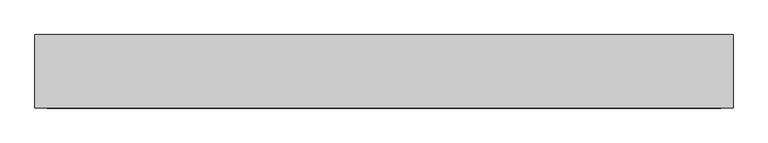
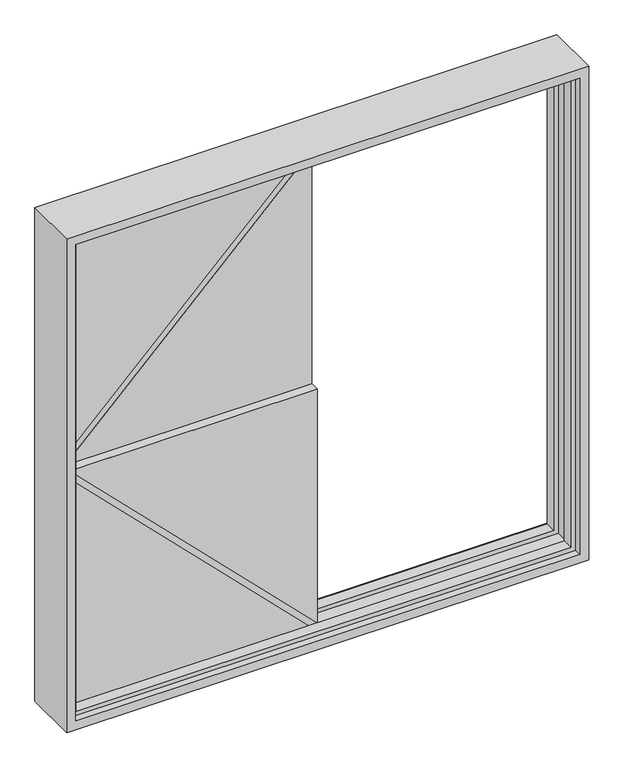
"""IFC4 building model written with IfcOpenShell, lengths in millimetres: proxy geometry."""

import ifcopenshell
import ifcopenshell.guid

model = None  # the IFC model being written
_history = None  # IfcOwnerHistory: only IFC2X3 demands one
_inside = {}  # id of a spatial element -> (the spatial element, [elements in it])
_under = {}  # id of a project, library or spatial element -> (it, [spatial elements below it])
_declared = {}  # id of a project -> (the project, [libraries it declares])
_typed = {}  # id of a type object -> (the type object, [elements of that type])
_made_of = {}  # id of a material, layer set ... -> (it, [elements and type objects made of it])


def new_model(schema):
    """Start an empty IFC model of exactly this schema.

    Asked for "IFC4X3", IfcOpenShell would pick the latest addendum, in which some entities
    have other attributes; the version numbers below select the first issue.
    IFC2X3 requires an IfcOwnerHistory on every rooted entity: one is made here for all.
    """
    global model, _history
    if schema == "IFC4X3":
        model = ifcopenshell.file(schema_version=(4, 3, 0, 0))
    else:
        model = ifcopenshell.file(schema=schema)
    _inside.clear()
    _under.clear()
    _declared.clear()
    _typed.clear()
    _made_of.clear()
    _history = None
    if model.schema == "IFC2X3":
        org = make("IfcOrganization", Name="unknown")
        user = make(
            "IfcPersonAndOrganization",
            ThePerson=make("IfcPerson", FamilyName="unknown"),
            TheOrganization=org,
        )
        app = make(
            "IfcApplication",
            ApplicationDeveloper=org,
            Version="unknown",
            ApplicationFullName="unknown",
            ApplicationIdentifier="unknown",
        )
        _history = make(
            "IfcOwnerHistory",
            OwningUser=user,
            OwningApplication=app,
            ChangeAction="ADDED",
            CreationDate=0,
        )
    return model


def make(cls, **values):
    """One entity of the class cls with the attributes given. An attribute that is None is left unset."""
    return model.create_entity(
        cls, **{name: value for name, value in values.items() if value is not None}
    )


def rooted(cls, **values):
    """An entity with a GlobalId (a new one), such as an element, a storey or a relation."""
    return make(cls, GlobalId=ifcopenshell.guid.new(), OwnerHistory=_history, **values)


def si_unit(unit_type, name, prefix=None):
    """IfcSIUnit, for example si_unit("LENGTHUNIT", "METRE", prefix="MILLI")."""
    return make("IfcSIUnit", UnitType=unit_type, Prefix=prefix, Name=name)


def assignment(units):
    """IfcUnitAssignment: the units of a project."""
    return None if units is None else make("IfcUnitAssignment", Units=units)


def point(xyz):
    """IfcCartesianPoint."""
    return None if xyz is None else make("IfcCartesianPoint", Coordinates=xyz)


def direction(xyz):
    """IfcDirection."""
    return None if xyz is None else make("IfcDirection", DirectionRatios=xyz)


def frame(location, z_axis=None, x_axis=None):
    """IfcAxis2Placement3D, a coordinate frame: its origin and axes. An axis left out is left unset."""
    return make(
        "IfcAxis2Placement3D",
        Location=point(location),
        Axis=direction(z_axis),
        RefDirection=direction(x_axis),
    )


def origin():
    """The frame at (0, 0, 0) with its axes left unset."""
    return frame((0.0, 0.0, 0.0))


def origin_with_axes():
    """The frame at (0, 0, 0) with the z axis (0, 0, 1) and the x axis (1, 0, 0) written out."""
    return frame((0.0, 0.0, 0.0), z_axis=(0.0, 0.0, 1.0), x_axis=(1.0, 0.0, 0.0))


def place(relative_to, where):
    """IfcLocalPlacement: puts the frame where relative to a parent placement (None: the world)."""
    return make(
        "IfcLocalPlacement", PlacementRelTo=relative_to, RelativePlacement=where
    )


def context(
    kind, dimensions, precision=None, world=None, true_north=None, identifier=None
):
    """IfcGeometricRepresentationContext, for example the 3D "Model" context."""
    return make(
        "IfcGeometricRepresentationContext",
        ContextIdentifier=identifier,
        ContextType=kind,
        CoordinateSpaceDimension=dimensions,
        Precision=precision,
        WorldCoordinateSystem=world,
        TrueNorth=true_north,
    )


def project(units=None, contexts=None):
    """IfcProject with its units and contexts."""
    return rooted(
        "IfcProject",
        Name="project",
        RepresentationContexts=contexts,
        UnitsInContext=assignment(units),
    )


def spatial(cls, under=None, at=None, **own):
    """A site, building, storey or space (cls), placed at a placement, below another one or the project."""
    s = rooted(cls, ObjectPlacement=at, **own)
    if under is not None:
        _under.setdefault(under.id(), (under, []))[1].append(s)
    return s


def polyline(points):
    """IfcPolyline through the points."""
    return make("IfcPolyline", Points=[point(p) for p in points])


def outline(outer, holes=None, kind="AREA"):
    """IfcArbitraryClosedProfileDef: a profile drawn as a closed curve; with holes, ...WithVoids."""
    if holes is None:
        return make("IfcArbitraryClosedProfileDef", ProfileType=kind, OuterCurve=outer)
    return make(
        "IfcArbitraryProfileDefWithVoids",
        ProfileType=kind,
        OuterCurve=outer,
        InnerCurves=holes,
    )


def extrude(swept, where, along, depth):
    """IfcExtrudedAreaSolid: the profile swept, set in the frame where, extruded along a direction by depth."""
    return make(
        "IfcExtrudedAreaSolid",
        SweptArea=swept,
        Position=where,
        ExtrudedDirection=direction(along),
        Depth=depth,
    )


def faces_of(points, faces, orient=None, outer=None):
    """IfcFace entities. A face is a list of loops; a loop is a list of indices into points, from 0.

    orient and outer hold one flag for each loop. By default every Orientation is true, the
    first loop of a face is its IfcFaceOuterBound and the others are IfcFaceBound.
    """
    made = []
    for i, loops in enumerate(faces):
        bounds = []
        for j, loop in enumerate(loops):
            is_outer = j == 0 if outer is None else outer[i][j]
            bounds.append(
                make(
                    "IfcFaceOuterBound" if is_outer else "IfcFaceBound",
                    Bound=make("IfcPolyLoop", Polygon=[points[k] for k in loop]),
                    Orientation=True if orient is None else orient[i][j],
                )
            )
        made.append(make("IfcFace", Bounds=bounds))
    return made


def faceted_brep(points, faces, orient=None, outer=None, voids=None):
    """IfcFacetedBrep: a solid bounded by flat faces; with voids (closed shells), ...WithVoids."""
    shared = [point(p) for p in points]
    hull = make("IfcClosedShell", CfsFaces=faces_of(shared, faces, orient, outer))
    if voids is None:
        return make("IfcFacetedBrep", Outer=hull)
    return make(
        "IfcFacetedBrepWithVoids",
        Outer=hull,
        Voids=[
            make(cls, CfsFaces=faces_of(shared, fs, o, b)) for cls, fs, o, b in voids
        ],
    )


def shape(context_of_items, identifier, shape_type, items):
    """IfcShapeRepresentation: the items that make up one representation, for example the "Body"."""
    return make(
        "IfcShapeRepresentation",
        ContextOfItems=context_of_items,
        RepresentationIdentifier=identifier,
        RepresentationType=shape_type,
        Items=items,
    )


def source(mapping_origin, context_of_items, identifier, shape_type, items):
    """IfcRepresentationMap: a shape defined once, which mapped items show again and again."""
    return make(
        "IfcRepresentationMap",
        MappingOrigin=mapping_origin,
        MappedRepresentation=shape(context_of_items, identifier, shape_type, items),
    )


def transform(
    local_origin,
    x_axis=None,
    y_axis=None,
    z_axis=None,
    scale=None,
    scale2=None,
    scale3=None,
    uniform=True,
):
    """IfcCartesianTransformationOperator3D, or its non-uniform kind. x_axis, y_axis, z_axis: its Axis1, 2, 3."""
    if uniform:
        return make(
            "IfcCartesianTransformationOperator3D",
            Axis1=direction(x_axis),
            Axis2=direction(y_axis),
            LocalOrigin=point(local_origin),
            Scale=scale,
            Axis3=direction(z_axis),
        )
    return make(
        "IfcCartesianTransformationOperator3DnonUniform",
        Axis1=direction(x_axis),
        Axis2=direction(y_axis),
        LocalOrigin=point(local_origin),
        Scale=scale,
        Axis3=direction(z_axis),
        Scale2=scale2,
        Scale3=scale3,
    )


def mapped(mapping_source, mapping_target):
    """IfcMappedItem: shows the shape of a source again, moved by a transform."""
    return make(
        "IfcMappedItem", MappingSource=mapping_source, MappingTarget=mapping_target
    )


def made_of(thing, what):
    """Note that an element or type object is made of a material, layer set ...; save() writes the relation."""
    if what is not None:
        _made_of.setdefault(what.id(), (what, []))[1].append(thing)
    return thing


def element(
    cls,
    number,
    at=None,
    inside=None,
    cuts=None,
    type_object=None,
    material=None,
    context=None,
    identifier="Body",
    shape_type=None,
    held_by="IfcProductDefinitionShape",
    body=None,
    shapes=None,
    **own,
):
    """One element of the class cls, such as IfcWall. Its Tag is "e" and its number.

    at: its placement. inside: the storey or other place that contains it. cuts: it is an
    opening in that element (IfcRelVoidsElement). A single representation is given by context,
    identifier, shape_type and body (its items); several are given by shapes. held_by: the class
    of the entity that holds the representations. save() writes the other relations.
    """
    e = rooted(cls, Tag="e%d" % number, ObjectPlacement=at, **own)
    if body is not None:
        shapes = [shape(context, identifier, shape_type, body)]
    if shapes is not None:
        e.Representation = make(held_by, Representations=shapes)
    if inside is not None:
        _inside.setdefault(inside.id(), (inside, []))[1].append(e)
    if cuts is not None:
        rooted(
            "IfcRelVoidsElement", RelatingBuildingElement=cuts, RelatedOpeningElement=e
        )
    if type_object is not None:
        _typed.setdefault(type_object.id(), (type_object, []))[1].append(e)
    return made_of(e, material)


def aggregate(whole, parts):
    """IfcRelAggregates: a whole, such as a stair, and the parts it consists of."""
    return rooted("IfcRelAggregates", RelatingObject=whole, RelatedObjects=parts)


def save(model, path):
    """Write the relations noted so far, then the file.

    IfcRelAggregates (storeys below a building ...), IfcRelContainedInSpatialStructure (elements
    in a storey), IfcRelDefinesByType, IfcRelAssociatesMaterial and IfcRelDeclares: one each for
    every whole, place, type object, material and project.
    """
    for whole, parts in _under.values():
        aggregate(whole, parts)
    for where, things in _inside.values():
        rooted(
            "IfcRelContainedInSpatialStructure",
            RelatedElements=things,
            RelatingStructure=where,
        )
    for kind, things in _typed.values():
        rooted("IfcRelDefinesByType", RelatedObjects=things, RelatingType=kind)
    for what, things in _made_of.values():
        rooted("IfcRelAssociatesMaterial", RelatedObjects=things, RelatingMaterial=what)
    for by, libraries in _declared.values():
        rooted("IfcRelDeclares", RelatingContext=by, RelatedDefinitions=libraries)
    model.write(path)


def generic_models_36d37f0f(model_context):
    return source(origin(), model_context, "Body", "SolidModel", [
        extrude(outline(polyline([(2200.0, -1100.0), (1120.0, -1100.0), (2200.0, -20.0), (2200.0, -1100.0)])), frame((0.0, 0.0, 0.0), z_axis=(0.0, 1.0, 0.0), x_axis=(0.0, 0.0, 1.0)), (0.0, 0.0, 1.0), 60.0),
        extrude(outline(polyline([(1100.0, 0.0), (2180.0, 0.0), (1100.0, -1080.0), (1100.0, 0.0)])), frame((0.0, 0.0, 0.0), z_axis=(0.0, 1.0, 0.0), x_axis=(0.0, 0.0, 1.0)), (0.0, 0.0, 1.0), 60.0),
        extrude(outline(polyline([(1100.0, 0.0), (1100.0, -1080.0), (20.0, 0.0), (1100.0, 0.0)])), frame((0.0, -40.0, 0.0), z_axis=(0.0, 1.0, 0.0), x_axis=(0.0, 0.0, 1.0)), (0.0, 0.0, 1.0), 60.0),
        extrude(outline(polyline([(0.0, -1100.0), (0.0, -20.0), (1080.0, -1100.0), (0.0, -1100.0)])), frame((0.0, -40.0, 0.0), z_axis=(0.0, 1.0, 0.0), x_axis=(0.0, 0.0, 1.0)), (0.0, 0.0, 1.0), 60.0),
        faceted_brep([(1100.0, 40.0, 0.0), (1100.0, -40.0, 0.0), (1100.0, -40.0, 2200.0), (1100.0, 40.0, 2200.0), (-1100.0, -40.0, 2200.0), (-1100.0, 40.0, 2200.0), (-1100.0, -40.0, 0.0), (-1100.0, 40.0, 0.0), (1080.0, 90.0, 20.0), (1080.0, 40.0, 20.0), (1080.0, 40.0, 2180.0), (1080.0, 90.0, 2180.0), (1100.0, 120.0, 0.0), (1100.0, 90.0, 0.0), (1100.0, 90.0, 2200.0), (1100.0, 120.0, 2200.0), (1140.0, -120.0, -40.0), (1140.0, 120.0, -40.0), (1140.0, 120.0, 2240.0), (1140.0, -120.0, 2240.0), (1100.0, -90.0, 0.0), (1100.0, -120.0, 0.0), (1100.0, -120.0, 2200.0), (1100.0, -90.0, 2200.0), (1080.0, -40.0, 20.0), (1080.0, -90.0, 20.0), (1080.0, -90.0, 2180.0), (1080.0, -40.0, 2180.0), (-1080.0, 40.0, 2180.0), (-1080.0, 90.0, 2180.0), (-1100.0, 90.0, 2200.0), (-1100.0, 120.0, 2200.0), (-1140.0, 120.0, 2240.0), (-1140.0, -120.0, 2240.0), (-1100.0, -120.0, 2200.0), (-1100.0, -90.0, 2200.0), (-1080.0, -90.0, 2180.0), (-1080.0, -40.0, 2180.0), (-1080.0, 40.0, 20.0), (-1080.0, 90.0, 20.0), (-1100.0, 90.0, 0.0), (-1100.0, 120.0, 0.0), (-1140.0, 120.0, -40.0), (-1140.0, -120.0, -40.0), (-1100.0, -120.0, 0.0), (-1100.0, -90.0, 0.0), (-1080.0, -90.0, 20.0), (-1080.0, -40.0, 20.0)], [[[0, 1, 2, 3]], [[3, 2, 4, 5]], [[5, 4, 6, 7]], [[7, 6, 1, 0]], [[8, 9, 10, 11]], [[12, 13, 14, 15]], [[16, 17, 18, 19]], [[20, 21, 22, 23]], [[24, 25, 26, 27]], [[11, 10, 28, 29]], [[15, 14, 30, 31]], [[19, 18, 32, 33]], [[23, 22, 34, 35]], [[27, 26, 36, 37]], [[29, 28, 38, 39]], [[31, 30, 40, 41]], [[33, 32, 42, 43]], [[35, 34, 44, 45]], [[37, 36, 46, 47]], [[3, 5, 7, 0], [9, 38, 28, 10]], [[39, 38, 9, 8]], [[13, 40, 30, 14], [11, 29, 39, 8]], [[41, 40, 13, 12]], [[17, 42, 32, 18], [15, 31, 41, 12]], [[43, 42, 17, 16]], [[19, 33, 43, 16], [21, 44, 34, 22]], [[45, 44, 21, 20]], [[23, 35, 45, 20], [25, 46, 36, 26]], [[47, 46, 25, 24]], [[1, 6, 4, 2], [27, 37, 47, 24]]]),
        extrude(outline(polyline([(0.0, 0.0), (-1100.0, 0.0), (-1100.0, 40.0), (0.0, 40.0), (0.0, 0.0)])), frame((0.0, 0.0, 1100.0), z_axis=(0.0, 0.0, 1.0), x_axis=(1.0, 0.0, 0.0)), (0.0, 0.0, 1.0), 1100.0),
        extrude(outline(polyline([(0.0, -40.0), (-1100.0, -40.0), (-1100.0, 0.0), (0.0, 0.0), (0.0, -40.0)])), origin_with_axes(), (0.0, 0.0, 1.0), 1100.0),
    ])


if __name__ == "__main__":
    model = new_model("IFC4")
    model_context = context("Model", 3, world=origin())
    ifc_project = project(units=[si_unit("LENGTHUNIT", "METRE", prefix="MILLI")], contexts=[model_context])
    site = spatial("IfcSite", under=ifc_project)
    building = spatial("IfcBuilding", under=site)
    placement = place(None, origin())
    generic_models_shape = generic_models_36d37f0f(model_context)
    element("IfcBuildingElementProxy", 1, Name="Generic Models", at=placement, inside=building, context=model_context, shape_type="MappedRepresentation", body=[
        mapped(generic_models_shape, transform((0.0, 0.0, 0.0), x_axis=(1.0, 0.0, 0.0), y_axis=(0.0, 1.0, 0.0), z_axis=(0.0, 0.0, 1.0))),
    ])
    save(model, "model.ifc")
